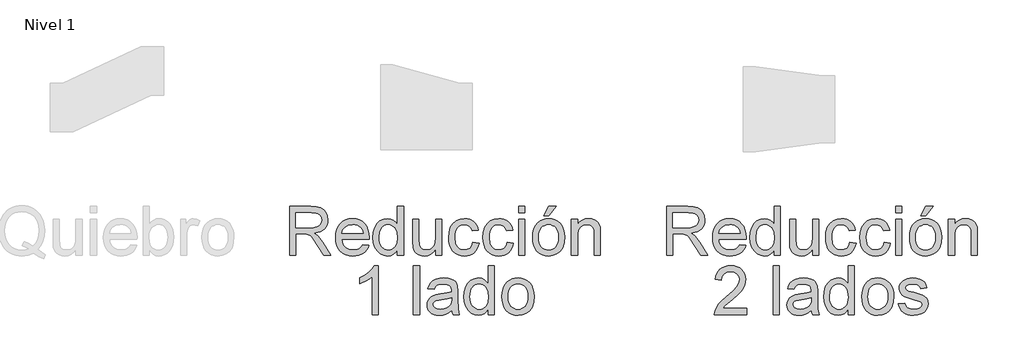
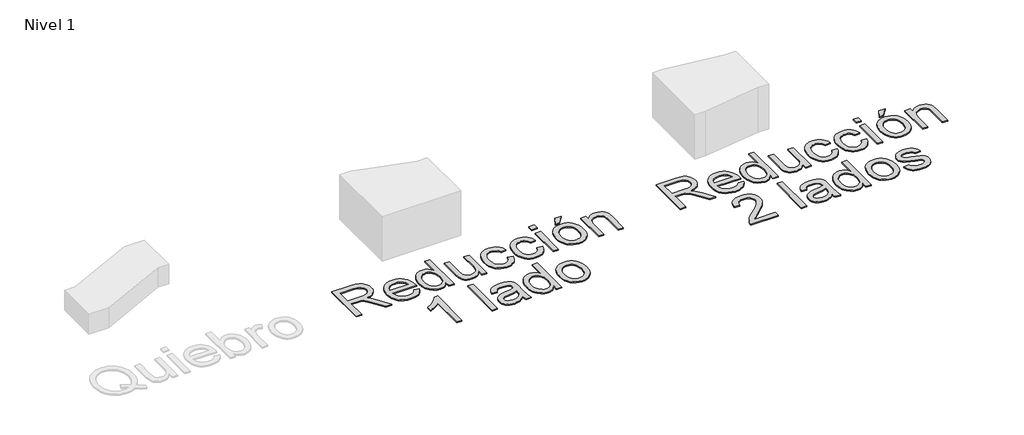
# One storey, part 5 of 6: 2 proxies.
"""IFC4 building model written with IfcOpenShell, lengths in millimetres."""

from ifc_helpers import new_model, si_unit, origin, origin_with_axes, place, context, project, spatial, polyline, outline, extrude, element, save

model = new_model("IFC4")

# Units and contexts
model_context = context("Model", 3, world=origin())
ifc_project = project(units=[si_unit("LENGTHUNIT", "METRE", prefix="MILLI")], contexts=[model_context])

# Site, building, storey
site = spatial("IfcSite", under=ifc_project)
building = spatial("IfcBuilding", under=site)
storey = spatial("IfcBuildingStorey", under=building, Name="Nivel 1", Elevation=0.0)

# Proxies
placement = place(None, origin())
element("IfcBuildingElementProxy", 1, Name="Texto de modelo 1", ObjectType="Texto de modelo 1", at=placement, inside=storey, context=model_context, shape_type="SweptSolid", body=[
    extrude(outline(polyline([(4773.8364183, -1016.3248037), (4773.8364183, -614.4995631), (4946.9862107, -614.4995631), (4993.5232831, -617.2096271), (5027.3806894, -625.3398192), (5052.126885, -640.3494046), (5071.3303251, -663.6976486), (5083.654372, -692.6499616), (5087.7623876, -724.4717542), (5086.0609333, -745.1099341), (5080.9565707, -764.0558569), (5072.4492995, -781.3095224), (5060.5391199, -796.8709308), (5045.0727477, -810.2434414), (5025.8968987, -820.9304133), (5003.0115729, -828.9318467), (4976.4167704, -834.2477415), (5004.9644132, -855.7320501), (5045.6766873, -907.4317331), (5112.6802614, -1016.3248037), (5054.3096515, -1016.3248037), (5002.0213572, -933.03632), (4964.2521391, -877.9030716), (4950.2113096, -861.8266285), (4937.7155845, -851.8570264), (4913.8277802, -842.2920945), (4884.6915262, -840.5262609), (4824.0645734, -840.5262609), (4824.0645734, -1016.3248037), (4773.8364183, -1016.3248037)]), holes=[polyline([(4824.0645734, -790.2981059), (4936.4893111, -790.2981059), (4968.7770876, -788.5200095), (4993.8298515, -783.1857206), (5012.6899351, -773.9396198), (5026.3996708, -760.4260878), (5034.7505921, -744.0798645), (5037.5342325, -726.3356896), (5032.224469, -701.8347488), (5016.2951786, -682.0917483), (5004.133613, -674.4949851), (4988.88797, -669.0687257), (4949.1444518, -664.7277182), (4824.0645734, -664.7277182), (4824.0645734, -790.2981059)])]), origin_with_axes(), (0.0, 0.0, 1.0), 10.0),
    extrude(outline(polyline([(5375.9856681, -928.4255323), (5425.2328045, -934.7040517), (5417.6820265, -954.428658), (5407.4886296, -971.8110823), (5394.6526136, -986.8513245), (5379.1739787, -999.5493847), (5361.2121403, -1009.6354827), (5340.9265139, -1016.8398385), (5293.3838974, -1022.6033231), (5262.218161, -1020.1170539), (5234.4492018, -1012.6582465), (5210.0770196, -1000.2269007), (5189.1016145, -982.8230167), (5172.234225, -960.9309723), (5160.1860897, -935.0351455), (5152.9572085, -905.1355363), (5150.5475814, -871.2321448), (5152.9817339, -836.179122), (5160.2841915, -805.2831658), (5172.4549542, -778.5442761), (5189.494022, -755.962453), (5210.4142448, -738.0220743), (5234.2284726, -725.2075182), (5260.9367054, -717.5187845), (5290.5389433, -714.9558732), (5319.1877537, -717.5126531), (5345.0958432, -725.1829927), (5368.2632118, -737.966892), (5388.6898596, -755.8643511), (5405.3641111, -778.3971233), (5417.2742906, -805.0869621), (5424.4203984, -835.9338674), (5426.8024343, -870.9378392), (5426.5081287, -884.4758966), (5200.7757365, -884.4758966), (5203.6850699, -904.519334), (5209.4700143, -922.0734365), (5218.1305696, -937.1382042), (5229.6667358, -949.7136371), (5243.4408509, -959.6280569), (5258.8152526, -966.7097853), (5294.3649161, -972.375168), (5321.0976744, -969.7509431), (5343.6120525, -961.8782684), (5361.9080504, -948.2666346), (5375.9856681, -928.4255323)]), holes=[polyline([(5200.7757365, -834.2477415), (5376.5742792, -834.2477415), (5369.7807251, -807.711187), (5356.4633968, -788.728476), (5342.7659239, -778.4277801), (5327.17999, -771.0701402), (5309.7055953, -766.6555563), (5290.3427396, -765.1840283), (5256.4853333, -769.8806551), (5228.4895135, -783.9705355), (5209.0285559, -805.9330907), (5200.7757365, -834.2477415)])]), origin_with_axes(), (0.0, 0.0, 1.0), 10.0),
    extrude(outline(polyline([(5659.1076515, -1016.3248037), (5659.1076515, -968.9416027), (5644.079672, -992.4186054), (5625.8756446, -1009.187893), (5604.4955694, -1019.2494656), (5579.9394462, -1022.6033231), (5547.4677287, -1017.7472807), (5517.7428635, -1003.1791537), (5492.5797351, -979.9167489), (5473.7932278, -948.9778731), (5462.0945804, -911.6133251), (5458.1950312, -869.0739038), (5461.7880121, -827.0617799), (5472.5669545, -789.1208835), (5490.5195959, -757.4094555), (5515.6336734, -734.085737), (5546.0084635, -719.7383392), (5579.7432424, -714.9558732), (5604.3177597, -718.3771758), (5626.0473229, -728.6410835), (5644.4659481, -744.3741701), (5659.1076515, -764.2030097), (5659.1076515, -614.4995631), (5709.3358066, -614.4995631), (5709.3358066, -1016.3248037), (5659.1076515, -1016.3248037)]), holes=[polyline([(5508.4231863, -868.8777), (5509.839532, -893.2345538), (5514.088569, -914.3111264), (5521.1702974, -932.1074179), (5531.0847172, -946.6234283), (5555.7818618, -965.9372331), (5569.6571444, -970.7656843), (5584.5502339, -972.375168), (5599.513834, -970.8392607), (5613.3063431, -966.2315387), (5637.3780884, -947.8006507), (5646.8847723, -933.8916456), (5653.6752607, -916.7391476), (5659.1076515, -872.7036728), (5653.5771589, -824.5601823), (5646.6640431, -806.0250612), (5636.9856809, -791.1810226), (5625.2839678, -779.8073376), (5612.300799, -771.6832769), (5598.0361747, -766.8088405), (5582.4900947, -765.1840283), (5567.3026996, -766.7444611), (5553.4274171, -771.4257595), (5540.8642469, -779.2279235), (5529.6131892, -790.1509531), (5520.342563, -804.4339715), (5513.720687, -822.3161022), (5508.4231863, -868.8777)])]), origin_with_axes(), (0.0, 0.0, 1.0), 10.0),
    extrude(outline(polyline([(5973.0336208, -1016.3248037), (5973.0336208, -965.6061393), (5954.8602502, -990.5424072), (5933.6947727, -1008.3540271), (5909.5371884, -1019.0409991), (5882.3874971, -1022.6033231), (5857.9233445, -1020.1017255), (5835.151449, -1012.5969328), (5816.0461107, -1001.3152183), (5802.5816297, -987.4828553), (5793.5194698, -970.6829108), (5787.6210952, -950.498452), (5784.6780392, -903.8019641), (5784.6780392, -721.2343926), (5834.9061943, -721.2343926), (5834.9061943, -880.1594145), (5837.9473521, -931.3685883), (5845.2682038, -948.4505756), (5857.8129799, -961.43681), (5874.7478144, -969.6405785), (5895.2388415, -972.375168), (5916.907091, -969.5792648), (5937.177389, -961.1915554), (5953.8914943, -947.9845917), (5964.8911659, -930.7309262), (5970.9980071, -907.1006393), (5973.0336208, -874.763812), (5973.0336208, -721.2343926), (6023.2617758, -721.2343926), (6023.2617758, -1016.3248037), (5973.0336208, -1016.3248037)])), origin_with_axes(), (0.0, 0.0, 1.0), 10.0),
    extrude(outline(polyline([(6280.6810706, -909.5899742), (6330.9092257, -915.8684935), (6325.446178, -939.5692911), (6316.9051844, -960.5416305), (6305.2862447, -978.7855118), (6290.589359, -994.3009349), (6273.4337953, -1006.6832297), (6254.4388216, -1015.527726), (6233.6044379, -1020.8344238), (6210.9306443, -1022.6033231), (6182.7600805, -1020.135448), (6157.5019159, -1012.7318229), (6135.1561503, -1000.3924476), (6115.722784, -983.1173223), (6099.992763, -961.2314092), (6088.7570337, -935.059671), (6082.0155961, -904.6021074), (6079.7684503, -869.8587187), (6083.6066858, -825.1610563), (6095.1213922, -786.4230822), (6114.4965106, -755.1408499), (6141.915982, -732.8104127), (6174.7187932, -719.4195081), (6210.2439312, -714.9558732), (6232.5283831, -716.4887149), (6252.6852508, -721.0872398), (6270.7145342, -728.7514481), (6286.6162334, -739.4813396), (6300.1205684, -753.0316597), (6310.9577588, -769.1571539), (6319.1278048, -787.857822), (6324.6307063, -809.133664), (6274.4025512, -815.4121834), (6265.2913405, -793.4986792), (6251.1033582, -777.790118), (6232.6234193, -768.3355507), (6210.6363387, -765.1840283), (6193.5696798, -766.7352641), (6178.176884, -771.3889713), (6164.4579513, -779.14515), (6152.4128816, -790.0038003), (6142.6057608, -804.216308), (6135.6006744, -822.0340593), (6131.3976226, -843.4570542), (6129.9966054, -868.4852926), (6135.4780471, -915.5619252), (6142.3298493, -933.4992382), (6151.9223723, -947.7025489), (6163.7283186, -958.4968197), (6177.2203908, -966.2070132), (6192.3985888, -970.8331293), (6209.2629126, -972.375168), (6235.2721697, -968.5246698), (6256.5970626, -956.9731751), (6272.1094201, -937.4263785), (6280.6810706, -909.5899742)])), origin_with_axes(), (0.0, 0.0, 1.0), 10.0),
    extrude(outline(polyline([(6563.2144429, -909.5899742), (6613.442598, -915.8684935), (6607.9795503, -939.5692911), (6599.4385567, -960.5416305), (6587.819617, -978.7855118), (6573.1227313, -994.3009349), (6555.9671676, -1006.6832297), (6536.9721939, -1015.527726), (6516.1378102, -1020.8344238), (6493.4640166, -1022.6033231), (6465.2934528, -1020.135448), (6440.0352882, -1012.7318229), (6417.6895226, -1000.3924476), (6398.2561562, -983.1173223), (6382.5261353, -961.2314092), (6371.290406, -935.059671), (6364.5489684, -904.6021074), (6362.3018226, -869.8587187), (6366.1400581, -825.1610563), (6377.6547645, -786.4230822), (6397.0298829, -755.1408499), (6424.4493543, -732.8104127), (6457.2521655, -719.4195081), (6492.7773035, -714.9558732), (6515.0617554, -716.4887149), (6535.2186231, -721.0872398), (6553.2479065, -728.7514481), (6569.1496057, -739.4813396), (6582.6539406, -753.0316597), (6593.4911311, -769.1571539), (6601.6611771, -787.857822), (6607.1640786, -809.133664), (6556.9359235, -815.4121834), (6547.8247128, -793.4986792), (6533.6367305, -777.790118), (6515.1567916, -768.3355507), (6493.169711, -765.1840283), (6476.1030521, -766.7352641), (6460.7102563, -771.3889713), (6446.9913236, -779.14515), (6434.9462539, -790.0038003), (6425.139133, -804.216308), (6418.1340467, -822.0340593), (6413.9309949, -843.4570542), (6412.5299777, -868.4852926), (6418.0114194, -915.5619252), (6424.8632216, -933.4992382), (6434.4557446, -947.7025489), (6446.2616909, -958.4968197), (6459.7537631, -966.2070132), (6474.9319611, -970.8331293), (6491.7962849, -972.375168), (6517.8055419, -968.5246698), (6539.1304349, -956.9731751), (6554.6427924, -937.4263785), (6563.2144429, -909.5899742)])), origin_with_axes(), (0.0, 0.0, 1.0), 10.0),
    extrude(outline(polyline([(6657.3922337, -664.7277182), (6657.3922337, -614.4995631), (6707.6203887, -614.4995631), (6707.6203887, -664.7277182), (6657.3922337, -664.7277182)])), origin_with_axes(), (0.0, 0.0, 1.0), 10.0),
    extrude(outline(polyline([(6657.3922337, -1016.3248037), (6657.3922337, -721.2343926), (6707.6203887, -721.2343926), (6707.6203887, -1016.3248037), (6657.3922337, -1016.3248037)])), origin_with_axes(), (0.0, 0.0, 1.0), 10.0),
    extrude(outline(polyline([(6770.4055826, -868.7795982), (6773.121778, -830.5627902), (6781.2703642, -797.6312203), (6794.8513411, -769.9848884), (6813.8647089, -747.6237944), (6833.0068354, -733.3315789), (6854.1355247, -723.1228535), (6877.2507767, -716.9976183), (6902.3525915, -714.9558732), (6930.0633028, -717.4421424), (6955.1191323, -724.9009498), (6977.5200802, -737.3322956), (6997.2661463, -754.7361797), (7013.3824433, -776.5239908), (7024.8940841, -802.1071179), (7031.8010686, -831.4855609), (7034.1033967, -864.6593198), (7030.0321693, -915.4025097), (7017.8184871, -954.0301192), (6997.8179693, -982.9579067), (6970.3862351, -1004.6016308), (6937.8041531, -1018.1029), (6902.3525915, -1022.6033231), (6874.23721, -1020.126251), (6848.9483885, -1012.6950347), (6826.4861271, -1000.3096742), (6806.8504256, -982.9701695), (6790.9058068, -960.9708262), (6779.5167933, -934.6059498), (6772.6833853, -903.8755405), (6770.4055826, -868.7795982)]), holes=[polyline([(6820.6337376, -868.6814963), (6822.0868715, -893.0444814), (6826.4462732, -914.1394482), (6833.7119426, -931.9663965), (6843.8838797, -946.5253265), (6856.2569775, -957.8346321), (6870.1261287, -965.9127076), (6885.4913334, -970.7595529), (6902.3525915, -972.375168), (6919.1280105, -970.7503559), (6934.4319015, -965.8759194), (6948.2642645, -957.7518587), (6960.6250995, -946.3781737), (6970.7970367, -931.6751566), (6978.0627061, -913.5630997), (6982.4221078, -892.042003), (6983.8752416, -867.1118665), (6982.4129107, -843.5214335), (6978.0259179, -822.9782898), (6970.7142633, -805.4824352), (6960.4779467, -791.0338698), (6948.0711265, -779.7245642), (6934.2479605, -771.6464887), (6919.0084488, -766.7996434), (6902.3525915, -765.1840283), (6885.4913334, -766.793512), (6870.1261287, -771.6219632), (6856.2569775, -779.6693819), (6843.8838797, -790.935768), (6833.7119426, -805.4517784), (6826.4462732, -823.2480699), (6822.0868715, -844.3246425), (6820.6337376, -868.6814963)])]), origin_with_axes(), (0.0, 0.0, 1.0), 10.0),
    extrude(outline(polyline([(6864.5833733, -689.8417957), (6902.2544896, -614.4995631), (6965.0396835, -614.4995631), (6902.2544896, -689.8417957), (6864.5833733, -689.8417957)])), origin_with_axes(), (0.0, 0.0, 1.0), 10.0),
    extrude(outline(polyline([(7090.6100712, -1016.3248037), (7090.6100712, -721.2343926), (7140.8382262, -721.2343926), (7140.8382262, -762.4371761), (7158.2880956, -741.6641061), (7179.2451065, -726.826199), (7203.7092592, -717.9234547), (7231.6805536, -714.9558732), (7256.4390119, -717.3471062), (7279.1128055, -724.5208051), (7298.0219401, -735.5817904), (7311.4864211, -749.6348827), (7320.6221573, -766.6432936), (7326.5450574, -786.570235), (7329.1938078, -835.1306583), (7329.1938078, -1016.3248037), (7278.9656527, -1016.3248037), (7278.9656527, -841.899687), (7277.5186502, -815.9272182), (7273.1776426, -797.459542), (7265.1700779, -784.2280529), (7252.7234037, -773.9641453), (7236.7695879, -767.3790576), (7218.240598, -765.1840283), (7188.8223012, -770.1136471), (7163.7450118, -784.9025033), (7153.7232931, -796.9751641), (7146.5649226, -813.4746716), (7142.2699003, -834.4010257), (7140.8382262, -859.7542265), (7140.8382262, -1016.3248037), (7090.6100712, -1016.3248037)])), origin_with_axes(), (0.0, 0.0, 1.0), 10.0),
    extrude(outline(polyline([(5502.1446669, -1504.2240751), (5451.9165119, -1504.2240751), (5451.9165119, -1191.0829208), (5430.9472381, -1208.0422808), (5404.3371071, -1224.9771153), (5351.4602017, -1250.3364475), (5351.4602017, -1202.8551446), (5390.9094143, -1181.3953616), (5425.0856517, -1155.8643511), (5452.0268765, -1128.7146599), (5469.7710514, -1102.3988345), (5502.1446669, -1102.3988345), (5502.1446669, -1504.2240751)])), origin_with_axes(), (0.0, 0.0, 1.0), 10.0),
    extrude(outline(polyline([(5790.9565586, -1504.2240751), (5790.9565586, -1102.3988345), (5841.1847137, -1102.3988345), (5841.1847137, -1504.2240751), (5790.9565586, -1504.2240751)])), origin_with_axes(), (0.0, 0.0, 1.0), 10.0),
    extrude(outline(polyline([(6104.8825278, -1466.5529588), (6080.884359, -1487.129825), (6056.1749517, -1500.5943061), (6030.1902201, -1508.0255224), (6002.3660785, -1510.5025945), (5980.0019189, -1509.0126724), (5960.3907429, -1504.5429061), (5943.5325504, -1497.0932957), (5929.4273416, -1486.6638412), (5918.2897142, -1473.91673), (5910.334266, -1459.5141499), (5905.5609972, -1443.4561008), (5903.9699075, -1425.7425828), (5906.3734032, -1404.9204618), (5913.5838903, -1386.0113273), (5924.7061893, -1369.8245195), (5938.8451207, -1357.1693789), (5955.4611241, -1347.604447), (5974.0146394, -1340.6882655), (6017.4737658, -1333.1344219), (6068.8300923, -1325.1881708), (6104.5882222, -1315.8684935), (6104.8825278, -1304.6848809), (6101.4244371, -1282.2686047), (6091.0501648, -1267.6023758), (6067.8490736, -1256.7130687), (6035.524509, -1253.0832997), (6005.6034401, -1255.4990581), (5984.7077427, -1262.7463334), (5970.4584468, -1276.1495008), (5960.476582, -1297.0329354), (5910.2484269, -1290.754416), (5918.9672302, -1263.2858937), (5931.9779901, -1241.7034833), (5950.4947172, -1225.1978445), (5975.7314221, -1212.9596368), (6006.5967215, -1205.3812677), (6041.9992321, -1202.8551446), (6075.9547403, -1205.0869621), (6102.8714396, -1211.7824144), (6123.166263, -1221.8501183), (6137.2561434, -1234.1986906), (6146.6003461, -1249.4657934), (6152.6581363, -1268.2890888), (6155.1106829, -1312.2387245), (6155.1106829, -1374.7296128), (6157.6613314, -1461.991222), (6167.6677217, -1504.2240751), (6117.4395666, -1504.2240751), (6109.3952136, -1486.761943), (6104.8825278, -1466.5529588)]), holes=[polyline([(6104.8825278, -1366.0966486), (6071.1354861, -1374.4598326), (6023.850387, -1381.4986415), (5980.6365153, -1389.6410963), (5969.391589, -1395.2083772), (5961.0651932, -1402.8848481), (5955.9148452, -1412.081898), (5954.1980626, -1422.2109156), (5957.9381962, -1437.1469246), (5969.1585971, -1449.3851323), (5987.6140105, -1457.5521126), (6013.0591818, -1460.2744394), (6040.0371948, -1457.2700698), (6063.8759481, -1448.2569609), (6083.2020156, -1434.9764209), (6096.6419711, -1419.1697578), (6102.6016595, -1402.8848481), (6104.5882222, -1380.3214191), (6104.8825278, -1366.0966486)])]), origin_with_axes(), (0.0, 0.0, 1.0), 10.0),
    extrude(outline(polyline([(6406.2514583, -1504.2240751), (6406.2514583, -1456.8408741), (6391.2234788, -1480.3178768), (6373.0194514, -1497.0871644), (6351.6393761, -1507.1487369), (6327.0832529, -1510.5025945), (6294.6115355, -1505.6465521), (6264.8866703, -1491.0784251), (6239.7235418, -1467.8160203), (6220.9370346, -1436.8771445), (6209.2383871, -1399.5125965), (6205.338838, -1356.9731751), (6208.9318188, -1314.9610513), (6219.7107613, -1277.0201549), (6237.6634026, -1245.3087269), (6262.7774802, -1221.9850084), (6293.1522702, -1207.6376106), (6326.8870492, -1202.8551446), (6351.4615665, -1206.2764472), (6373.1911296, -1216.5403548), (6391.6097549, -1232.2734415), (6406.2514583, -1252.102281), (6406.2514583, -1102.3988345), (6456.4796134, -1102.3988345), (6456.4796134, -1504.2240751), (6406.2514583, -1504.2240751)]), holes=[polyline([(6255.5669931, -1356.7769714), (6256.9833387, -1381.1338252), (6261.2323758, -1402.2103978), (6268.3141042, -1420.0066893), (6278.228524, -1434.5226997), (6302.9256686, -1453.8365045), (6316.8009512, -1458.6649557), (6331.6940406, -1460.2744394), (6346.6576407, -1458.7385321), (6360.4501499, -1454.1308101), (6384.5218951, -1435.6999221), (6394.028579, -1421.790917), (6400.8190675, -1404.638419), (6406.2514583, -1360.6029442), (6400.7209656, -1312.4594537), (6393.8078498, -1293.9243325), (6384.1294876, -1279.080294), (6372.4277745, -1267.706609), (6359.4446058, -1259.5825483), (6345.1799814, -1254.7081118), (6329.6339014, -1253.0832997), (6314.4465064, -1254.6437325), (6300.5712238, -1259.3250309), (6288.0080537, -1267.1271949), (6276.756996, -1278.0502244), (6267.4863697, -1292.3332429), (6260.8644938, -1310.2153736), (6255.5669931, -1356.7769714)])]), origin_with_axes(), (0.0, 0.0, 1.0), 10.0),
    extrude(outline(polyline([(6519.2648072, -1356.6788695), (6521.9810026, -1318.4620616), (6530.1295888, -1285.5304917), (6543.7105658, -1257.8841597), (6562.7239336, -1235.5230658), (6581.86606, -1221.2308503), (6602.9947493, -1211.0221249), (6626.1100013, -1204.8968897), (6651.2118161, -1202.8551446), (6678.9225274, -1205.3414138), (6703.978357, -1212.8002212), (6726.3793048, -1225.231567), (6746.1253709, -1242.635451), (6762.241668, -1264.4232622), (6773.7533087, -1290.0063893), (6780.6602932, -1319.3848323), (6782.9626213, -1352.5585912), (6778.8913939, -1403.3017811), (6766.6777117, -1441.9293906), (6746.6771939, -1470.8571781), (6719.2454598, -1492.5009022), (6686.6633777, -1506.0021714), (6651.2118161, -1510.5025945), (6623.0964347, -1508.0255224), (6597.8076132, -1500.5943061), (6575.3453517, -1488.2089456), (6555.7096502, -1470.8694408), (6539.7650314, -1448.8700975), (6528.3760179, -1422.5052212), (6521.5426099, -1391.7748119), (6519.2648072, -1356.6788695)]), holes=[polyline([(6569.4929623, -1356.5807677), (6570.9460962, -1380.9437528), (6575.3054978, -1402.0387195), (6582.5711672, -1419.8656679), (6592.7431044, -1434.4245979), (6605.1162021, -1445.7339035), (6618.9853534, -1453.811979), (6634.350558, -1458.6588243), (6651.2118161, -1460.2744394), (6667.9872351, -1458.6496272), (6683.2911261, -1453.7751908), (6697.1234891, -1445.6511301), (6709.4843242, -1434.2774451), (6719.6562613, -1419.574428), (6726.9219307, -1401.4623711), (6731.2813324, -1379.9412744), (6732.7344663, -1355.0111378), (6731.2721353, -1331.4207049), (6726.8851425, -1310.8775611), (6719.5734879, -1293.3817066), (6709.3371714, -1278.9331412), (6696.9303511, -1267.6238356), (6683.1071851, -1259.5457601), (6667.8676735, -1254.6989148), (6651.2118161, -1253.0832997), (6634.350558, -1254.6927834), (6618.9853534, -1259.5212346), (6605.1162021, -1267.5686533), (6592.7431044, -1278.8350394), (6582.5711672, -1293.3510498), (6575.3054978, -1311.1473413), (6570.9460962, -1332.2239139), (6569.4929623, -1356.5807677)])]), origin_with_axes(), (0.0, 0.0, 1.0), 10.0),
])
element("IfcBuildingElementProxy", 2, Name="Texto de modelo 1", ObjectType="Texto de modelo 1", at=placement, inside=storey, context=model_context, shape_type="SweptSolid", body=[
    extrude(outline(polyline([(7873.8364183, -1016.3248037), (7873.8364183, -614.4995631), (8046.9862107, -614.4995631), (8093.5232831, -617.2096271), (8127.3806894, -625.3398192), (8152.126885, -640.3494046), (8171.3303251, -663.6976486), (8183.654372, -692.6499616), (8187.7623876, -724.4717542), (8186.0609333, -745.1099341), (8180.9565707, -764.0558569), (8172.4492995, -781.3095224), (8160.5391199, -796.8709308), (8145.0727477, -810.2434414), (8125.8968987, -820.9304133), (8103.0115729, -828.9318467), (8076.4167704, -834.2477415), (8104.9644132, -855.7320501), (8145.6766873, -907.4317331), (8212.6802614, -1016.3248037), (8154.3096515, -1016.3248037), (8102.0213572, -933.03632), (8064.2521391, -877.9030716), (8050.2113096, -861.8266285), (8037.7155845, -851.8570264), (8013.8277802, -842.2920945), (7984.6915262, -840.5262609), (7924.0645734, -840.5262609), (7924.0645734, -1016.3248037), (7873.8364183, -1016.3248037)]), holes=[polyline([(7924.0645734, -790.2981059), (8036.4893111, -790.2981059), (8068.7770876, -788.5200095), (8093.8298515, -783.1857206), (8112.6899351, -773.9396198), (8126.3996708, -760.4260878), (8134.7505921, -744.0798645), (8137.5342325, -726.3356896), (8132.224469, -701.8347488), (8116.2951786, -682.0917483), (8104.133613, -674.4949851), (8088.88797, -669.0687257), (8049.1444518, -664.7277182), (7924.0645734, -664.7277182), (7924.0645734, -790.2981059)])]), origin_with_axes(), (0.0, 0.0, 1.0), 10.0),
    extrude(outline(polyline([(8475.9856681, -928.4255323), (8525.2328045, -934.7040517), (8517.6820265, -954.428658), (8507.4886296, -971.8110823), (8494.6526136, -986.8513245), (8479.1739787, -999.5493847), (8461.2121403, -1009.6354827), (8440.9265139, -1016.8398385), (8393.3838974, -1022.6033231), (8362.218161, -1020.1170539), (8334.4492018, -1012.6582465), (8310.0770196, -1000.2269007), (8289.1016145, -982.8230167), (8272.234225, -960.9309723), (8260.1860897, -935.0351455), (8252.9572085, -905.1355363), (8250.5475814, -871.2321448), (8252.9817339, -836.179122), (8260.2841915, -805.2831658), (8272.4549542, -778.5442761), (8289.494022, -755.962453), (8310.4142448, -738.0220743), (8334.2284726, -725.2075182), (8360.9367054, -717.5187845), (8390.5389433, -714.9558732), (8419.1877537, -717.5126531), (8445.0958432, -725.1829927), (8468.2632118, -737.966892), (8488.6898596, -755.8643511), (8505.3641111, -778.3971233), (8517.2742906, -805.0869621), (8524.4203984, -835.9338674), (8526.8024343, -870.9378392), (8526.5081287, -884.4758966), (8300.7757365, -884.4758966), (8303.6850699, -904.519334), (8309.4700143, -922.0734365), (8318.1305696, -937.1382042), (8329.6667358, -949.7136371), (8343.4408509, -959.6280569), (8358.8152526, -966.7097853), (8394.3649161, -972.375168), (8421.0976744, -969.7509431), (8443.6120525, -961.8782684), (8461.9080504, -948.2666346), (8475.9856681, -928.4255323)]), holes=[polyline([(8300.7757365, -834.2477415), (8476.5742792, -834.2477415), (8469.7807251, -807.711187), (8456.4633968, -788.728476), (8442.7659239, -778.4277801), (8427.17999, -771.0701402), (8409.7055953, -766.6555563), (8390.3427396, -765.1840283), (8356.4853333, -769.8806551), (8328.4895135, -783.9705355), (8309.0285559, -805.9330907), (8300.7757365, -834.2477415)])]), origin_with_axes(), (0.0, 0.0, 1.0), 10.0),
    extrude(outline(polyline([(8759.1076515, -1016.3248037), (8759.1076515, -968.9416027), (8744.079672, -992.4186054), (8725.8756446, -1009.187893), (8704.4955694, -1019.2494656), (8679.9394462, -1022.6033231), (8647.4677287, -1017.7472807), (8617.7428635, -1003.1791537), (8592.5797351, -979.9167489), (8573.7932278, -948.9778731), (8562.0945804, -911.6133251), (8558.1950312, -869.0739038), (8561.7880121, -827.0617799), (8572.5669545, -789.1208835), (8590.5195959, -757.4094555), (8615.6336734, -734.085737), (8646.0084635, -719.7383392), (8679.7432424, -714.9558732), (8704.3177597, -718.3771758), (8726.0473229, -728.6410835), (8744.4659481, -744.3741701), (8759.1076515, -764.2030097), (8759.1076515, -614.4995631), (8809.3358066, -614.4995631), (8809.3358066, -1016.3248037), (8759.1076515, -1016.3248037)]), holes=[polyline([(8608.4231863, -868.8777), (8609.839532, -893.2345538), (8614.088569, -914.3111264), (8621.1702974, -932.1074179), (8631.0847172, -946.6234283), (8655.7818618, -965.9372331), (8669.6571444, -970.7656843), (8684.5502339, -972.375168), (8699.513834, -970.8392607), (8713.3063431, -966.2315387), (8737.3780884, -947.8006507), (8746.8847723, -933.8916456), (8753.6752607, -916.7391476), (8759.1076515, -872.7036728), (8753.5771589, -824.5601823), (8746.6640431, -806.0250612), (8736.9856809, -791.1810226), (8725.2839678, -779.8073376), (8712.300799, -771.6832769), (8698.0361747, -766.8088405), (8682.4900947, -765.1840283), (8667.3026996, -766.7444611), (8653.4274171, -771.4257595), (8640.8642469, -779.2279235), (8629.6131892, -790.1509531), (8620.342563, -804.4339715), (8613.720687, -822.3161022), (8608.4231863, -868.8777)])]), origin_with_axes(), (0.0, 0.0, 1.0), 10.0),
    extrude(outline(polyline([(9073.0336208, -1016.3248037), (9073.0336208, -965.6061393), (9054.8602502, -990.5424072), (9033.6947727, -1008.3540271), (9009.5371884, -1019.0409991), (8982.3874971, -1022.6033231), (8957.9233445, -1020.1017255), (8935.151449, -1012.5969328), (8916.0461107, -1001.3152183), (8902.5816297, -987.4828553), (8893.5194698, -970.6829108), (8887.6210952, -950.498452), (8884.6780392, -903.8019641), (8884.6780392, -721.2343926), (8934.9061943, -721.2343926), (8934.9061943, -880.1594145), (8937.9473521, -931.3685883), (8945.2682038, -948.4505756), (8957.8129799, -961.43681), (8974.7478144, -969.6405785), (8995.2388415, -972.375168), (9016.907091, -969.5792648), (9037.177389, -961.1915554), (9053.8914943, -947.9845917), (9064.8911659, -930.7309262), (9070.9980071, -907.1006393), (9073.0336208, -874.763812), (9073.0336208, -721.2343926), (9123.2617758, -721.2343926), (9123.2617758, -1016.3248037), (9073.0336208, -1016.3248037)])), origin_with_axes(), (0.0, 0.0, 1.0), 10.0),
    extrude(outline(polyline([(9380.6810706, -909.5899742), (9430.9092257, -915.8684935), (9425.446178, -939.5692911), (9416.9051844, -960.5416305), (9405.2862447, -978.7855118), (9390.589359, -994.3009349), (9373.4337953, -1006.6832297), (9354.4388216, -1015.527726), (9333.6044379, -1020.8344238), (9310.9306443, -1022.6033231), (9282.7600805, -1020.135448), (9257.5019159, -1012.7318229), (9235.1561503, -1000.3924476), (9215.722784, -983.1173223), (9199.992763, -961.2314092), (9188.7570337, -935.059671), (9182.0155961, -904.6021074), (9179.7684503, -869.8587187), (9183.6066858, -825.1610563), (9195.1213922, -786.4230822), (9214.4965106, -755.1408499), (9241.915982, -732.8104127), (9274.7187932, -719.4195081), (9310.2439312, -714.9558732), (9332.5283831, -716.4887149), (9352.6852508, -721.0872398), (9370.7145342, -728.7514481), (9386.6162334, -739.4813396), (9400.1205684, -753.0316597), (9410.9577588, -769.1571539), (9419.1278048, -787.857822), (9424.6307063, -809.133664), (9374.4025512, -815.4121834), (9365.2913405, -793.4986792), (9351.1033582, -777.790118), (9332.6234193, -768.3355507), (9310.6363387, -765.1840283), (9293.5696798, -766.7352641), (9278.176884, -771.3889713), (9264.4579513, -779.14515), (9252.4128816, -790.0038003), (9242.6057608, -804.216308), (9235.6006744, -822.0340593), (9231.3976226, -843.4570542), (9229.9966054, -868.4852926), (9235.4780471, -915.5619252), (9242.3298493, -933.4992382), (9251.9223723, -947.7025489), (9263.7283186, -958.4968197), (9277.2203908, -966.2070132), (9292.3985888, -970.8331293), (9309.2629126, -972.375168), (9335.2721697, -968.5246698), (9356.5970626, -956.9731751), (9372.1094201, -937.4263785), (9380.6810706, -909.5899742)])), origin_with_axes(), (0.0, 0.0, 1.0), 10.0),
    extrude(outline(polyline([(9663.2144429, -909.5899742), (9713.442598, -915.8684935), (9707.9795503, -939.5692911), (9699.4385567, -960.5416305), (9687.819617, -978.7855118), (9673.1227313, -994.3009349), (9655.9671676, -1006.6832297), (9636.9721939, -1015.527726), (9616.1378102, -1020.8344238), (9593.4640166, -1022.6033231), (9565.2934528, -1020.135448), (9540.0352882, -1012.7318229), (9517.6895226, -1000.3924476), (9498.2561562, -983.1173223), (9482.5261353, -961.2314092), (9471.290406, -935.059671), (9464.5489684, -904.6021074), (9462.3018226, -869.8587187), (9466.1400581, -825.1610563), (9477.6547645, -786.4230822), (9497.0298829, -755.1408499), (9524.4493543, -732.8104127), (9557.2521655, -719.4195081), (9592.7773035, -714.9558732), (9615.0617554, -716.4887149), (9635.2186231, -721.0872398), (9653.2479065, -728.7514481), (9669.1496057, -739.4813396), (9682.6539406, -753.0316597), (9693.4911311, -769.1571539), (9701.6611771, -787.857822), (9707.1640786, -809.133664), (9656.9359235, -815.4121834), (9647.8247128, -793.4986792), (9633.6367305, -777.790118), (9615.1567916, -768.3355507), (9593.169711, -765.1840283), (9576.1030521, -766.7352641), (9560.7102563, -771.3889713), (9546.9913236, -779.14515), (9534.9462539, -790.0038003), (9525.139133, -804.216308), (9518.1340467, -822.0340593), (9513.9309949, -843.4570542), (9512.5299777, -868.4852926), (9518.0114194, -915.5619252), (9524.8632216, -933.4992382), (9534.4557446, -947.7025489), (9546.2616909, -958.4968197), (9559.7537631, -966.2070132), (9574.9319611, -970.8331293), (9591.7962849, -972.375168), (9617.8055419, -968.5246698), (9639.1304349, -956.9731751), (9654.6427924, -937.4263785), (9663.2144429, -909.5899742)])), origin_with_axes(), (0.0, 0.0, 1.0), 10.0),
    extrude(outline(polyline([(9757.3922337, -664.7277182), (9757.3922337, -614.4995631), (9807.6203887, -614.4995631), (9807.6203887, -664.7277182), (9757.3922337, -664.7277182)])), origin_with_axes(), (0.0, 0.0, 1.0), 10.0),
    extrude(outline(polyline([(9757.3922337, -1016.3248037), (9757.3922337, -721.2343926), (9807.6203887, -721.2343926), (9807.6203887, -1016.3248037), (9757.3922337, -1016.3248037)])), origin_with_axes(), (0.0, 0.0, 1.0), 10.0),
    extrude(outline(polyline([(9870.4055826, -868.7795982), (9873.121778, -830.5627902), (9881.2703642, -797.6312203), (9894.8513411, -769.9848884), (9913.8647089, -747.6237944), (9933.0068354, -733.3315789), (9954.1355247, -723.1228535), (9977.2507767, -716.9976183), (10002.3525915, -714.9558732), (10030.0633028, -717.4421424), (10055.1191323, -724.9009498), (10077.5200802, -737.3322956), (10097.2661463, -754.7361797), (10113.3824433, -776.5239908), (10124.8940841, -802.1071179), (10131.8010686, -831.4855609), (10134.1033967, -864.6593198), (10130.0321693, -915.4025097), (10117.8184871, -954.0301192), (10097.8179693, -982.9579067), (10070.3862351, -1004.6016308), (10037.8041531, -1018.1029), (10002.3525915, -1022.6033231), (9974.23721, -1020.126251), (9948.9483885, -1012.6950347), (9926.4861271, -1000.3096742), (9906.8504256, -982.9701695), (9890.9058068, -960.9708262), (9879.5167933, -934.6059498), (9872.6833853, -903.8755405), (9870.4055826, -868.7795982)]), holes=[polyline([(9920.6337376, -868.6814963), (9922.0868715, -893.0444814), (9926.4462732, -914.1394482), (9933.7119426, -931.9663965), (9943.8838797, -946.5253265), (9956.2569775, -957.8346321), (9970.1261287, -965.9127076), (9985.4913334, -970.7595529), (10002.3525915, -972.375168), (10019.1280105, -970.7503559), (10034.4319015, -965.8759194), (10048.2642645, -957.7518587), (10060.6250995, -946.3781737), (10070.7970367, -931.6751566), (10078.0627061, -913.5630997), (10082.4221078, -892.042003), (10083.8752416, -867.1118665), (10082.4129107, -843.5214335), (10078.0259179, -822.9782898), (10070.7142633, -805.4824352), (10060.4779467, -791.0338698), (10048.0711265, -779.7245642), (10034.2479605, -771.6464887), (10019.0084488, -766.7996434), (10002.3525915, -765.1840283), (9985.4913334, -766.793512), (9970.1261287, -771.6219632), (9956.2569775, -779.6693819), (9943.8838797, -790.935768), (9933.7119426, -805.4517784), (9926.4462732, -823.2480699), (9922.0868715, -844.3246425), (9920.6337376, -868.6814963)])]), origin_with_axes(), (0.0, 0.0, 1.0), 10.0),
    extrude(outline(polyline([(9964.5833733, -689.8417957), (10002.2544896, -614.4995631), (10065.0396835, -614.4995631), (10002.2544896, -689.8417957), (9964.5833733, -689.8417957)])), origin_with_axes(), (0.0, 0.0, 1.0), 10.0),
    extrude(outline(polyline([(10190.6100712, -1016.3248037), (10190.6100712, -721.2343926), (10240.8382262, -721.2343926), (10240.8382262, -762.4371761), (10258.2880956, -741.6641061), (10279.2451065, -726.826199), (10303.7092592, -717.9234547), (10331.6805536, -714.9558732), (10356.4390119, -717.3471062), (10379.1128055, -724.5208051), (10398.0219401, -735.5817904), (10411.4864211, -749.6348827), (10420.6221573, -766.6432936), (10426.5450574, -786.570235), (10429.1938078, -835.1306583), (10429.1938078, -1016.3248037), (10378.9656527, -1016.3248037), (10378.9656527, -841.899687), (10377.5186502, -815.9272182), (10373.1776426, -797.459542), (10365.1700779, -784.2280529), (10352.7234037, -773.9641453), (10336.7695879, -767.3790576), (10318.240598, -765.1840283), (10288.8223012, -770.1136471), (10263.7450118, -784.9025033), (10253.7232931, -796.9751641), (10246.5649226, -813.4746716), (10242.2699003, -834.4010257), (10240.8382262, -859.7542265), (10240.8382262, -1016.3248037), (10190.6100712, -1016.3248037)])), origin_with_axes(), (0.0, 0.0, 1.0), 10.0),
    extrude(outline(polyline([(8529.941694, -1453.99592), (8529.941694, -1504.2240751), (8266.2438799, -1504.2240751), (8267.3475259, -1486.5412138), (8271.6394825, -1469.5941166), (8284.024843, -1442.5302645), (8302.1491626, -1416.2757528), (8328.3668861, -1388.7949677), (8365.0324583, -1358.0522957), (8419.2337389, -1309.9088052), (8451.7545073, -1274.3714045), (8468.0148915, -1245.5294561), (8473.4350196, -1217.4723226), (8468.3214598, -1192.3214568), (8452.9807806, -1171.4134968), (8429.3995447, -1157.3236164), (8399.5643149, -1152.6269896), (8368.2330317, -1157.2132518), (8343.8915063, -1170.9720384), (8328.1829451, -1192.8242289), (8322.7505543, -1221.6907028), (8272.5223993, -1215.4121834), (8276.841947, -1189.4826341), (8284.6992933, -1166.8272346), (8296.0944381, -1147.4459848), (8311.0273814, -1131.3388848), (8329.1547667, -1118.6776128), (8350.1332375, -1109.633847), (8373.9627937, -1104.2075876), (8400.6434354, -1102.3988345), (8427.5632004, -1104.4099227), (8451.5215154, -1110.4431874), (8472.5183802, -1120.4986286), (8490.5537951, -1134.5762463), (8505.0391486, -1151.6337082), (8515.3858297, -1170.6286818), (8521.5938384, -1191.5611674), (8523.6631746, -1214.4311647), (8521.4313572, -1238.453859), (8514.7359049, -1262.0596204), (8502.8533164, -1286.0700519), (8485.0600906, -1311.3067568), (8456.6963888, -1341.4362922), (8413.1023723, -1380.1252154), (8355.3203736, -1428.4403841), (8332.6588427, -1453.99592), (8529.941694, -1453.99592)])), origin_with_axes(), (0.0, 0.0, 1.0), 10.0),
    extrude(outline(polyline([(8749.6898725, -1504.2240751), (8749.6898725, -1102.3988345), (8799.9180275, -1102.3988345), (8799.9180275, -1504.2240751), (8749.6898725, -1504.2240751)])), origin_with_axes(), (0.0, 0.0, 1.0), 10.0),
    extrude(outline(polyline([(9063.6158417, -1466.5529588), (9039.6176729, -1487.129825), (9014.9082655, -1500.5943061), (8988.9235339, -1508.0255224), (8961.0993924, -1510.5025945), (8938.7352327, -1509.0126724), (8919.1240567, -1504.5429061), (8902.2658643, -1497.0932957), (8888.1606554, -1486.6638412), (8877.023028, -1473.91673), (8869.0675799, -1459.5141499), (8864.294311, -1443.4561008), (8862.7032214, -1425.7425828), (8865.1067171, -1404.9204618), (8872.3172042, -1386.0113273), (8883.4395032, -1369.8245195), (8897.5784345, -1357.1693789), (8914.194438, -1347.604447), (8932.7479533, -1340.6882655), (8976.2070796, -1333.1344219), (9027.5634062, -1325.1881708), (9063.3215361, -1315.8684935), (9063.6158417, -1304.6848809), (9060.1577509, -1282.2686047), (9049.7834787, -1267.6023758), (9026.5823875, -1256.7130687), (8994.2578229, -1253.0832997), (8964.3367539, -1255.4990581), (8943.4410566, -1262.7463334), (8929.1917606, -1276.1495008), (8919.2098958, -1297.0329354), (8868.9817408, -1290.754416), (8877.7005441, -1263.2858937), (8890.7113039, -1241.7034833), (8909.228031, -1225.1978445), (8934.4647359, -1212.9596368), (8965.3300353, -1205.3812677), (9000.732546, -1202.8551446), (9034.6880541, -1205.0869621), (9061.6047534, -1211.7824144), (9081.8995768, -1221.8501183), (9095.9894573, -1234.1986906), (9105.3336599, -1249.4657934), (9111.3914501, -1268.2890888), (9113.8439968, -1312.2387245), (9113.8439968, -1374.7296128), (9116.3946453, -1461.991222), (9126.4010355, -1504.2240751), (9076.1728805, -1504.2240751), (9068.1285275, -1486.761943), (9063.6158417, -1466.5529588)]), holes=[polyline([(9063.6158417, -1366.0966486), (9029.8688, -1374.4598326), (8982.5837009, -1381.4986415), (8939.3698292, -1389.6410963), (8928.1249029, -1395.2083772), (8919.798507, -1402.8848481), (8914.6481591, -1412.081898), (8912.9313765, -1422.2109156), (8916.6715101, -1437.1469246), (8927.8919109, -1449.3851323), (8946.3473244, -1457.5521126), (8971.7924957, -1460.2744394), (8998.7705087, -1457.2700698), (9022.609262, -1448.2569609), (9041.9353294, -1434.9764209), (9055.375285, -1419.1697578), (9061.3349733, -1402.8848481), (9063.3215361, -1380.3214191), (9063.6158417, -1366.0966486)])]), origin_with_axes(), (0.0, 0.0, 1.0), 10.0),
    extrude(outline(polyline([(9364.9847721, -1504.2240751), (9364.9847721, -1456.8408741), (9349.9567926, -1480.3178768), (9331.7527652, -1497.0871644), (9310.3726899, -1507.1487369), (9285.8165668, -1510.5025945), (9253.3448493, -1505.6465521), (9223.6199841, -1491.0784251), (9198.4568556, -1467.8160203), (9179.6703484, -1436.8771445), (9167.971701, -1399.5125965), (9164.0721518, -1356.9731751), (9167.6651327, -1314.9610513), (9178.4440751, -1277.0201549), (9196.3967165, -1245.3087269), (9221.510794, -1221.9850084), (9251.8855841, -1207.6376106), (9285.620363, -1202.8551446), (9310.1948803, -1206.2764472), (9331.9244435, -1216.5403548), (9350.3430687, -1232.2734415), (9364.9847721, -1252.102281), (9364.9847721, -1102.3988345), (9415.2129272, -1102.3988345), (9415.2129272, -1504.2240751), (9364.9847721, -1504.2240751)]), holes=[polyline([(9214.3003069, -1356.7769714), (9215.7166526, -1381.1338252), (9219.9656896, -1402.2103978), (9227.047418, -1420.0066893), (9236.9618378, -1434.5226997), (9261.6589824, -1453.8365045), (9275.534265, -1458.6649557), (9290.4273544, -1460.2744394), (9305.3909546, -1458.7385321), (9319.1834637, -1454.1308101), (9343.2552089, -1435.6999221), (9352.7618928, -1421.790917), (9359.5523813, -1404.638419), (9364.9847721, -1360.6029442), (9359.4542795, -1312.4594537), (9352.5411636, -1293.9243325), (9342.8628015, -1279.080294), (9331.1610884, -1267.706609), (9318.1779196, -1259.5825483), (9303.9132952, -1254.7081118), (9288.3672153, -1253.0832997), (9273.1798202, -1254.6437325), (9259.3045376, -1259.3250309), (9246.7413675, -1267.1271949), (9235.4903098, -1278.0502244), (9226.2196835, -1292.3332429), (9219.5978076, -1310.2153736), (9214.3003069, -1356.7769714)])]), origin_with_axes(), (0.0, 0.0, 1.0), 10.0),
    extrude(outline(polyline([(9477.998121, -1356.6788695), (9480.7143164, -1318.4620616), (9488.8629026, -1285.5304917), (9502.4438796, -1257.8841597), (9521.4572474, -1235.5230658), (9540.5993739, -1221.2308503), (9561.7280632, -1211.0221249), (9584.8433152, -1204.8968897), (9609.94513, -1202.8551446), (9637.6558413, -1205.3414138), (9662.7116708, -1212.8002212), (9685.1126186, -1225.231567), (9704.8586847, -1242.635451), (9720.9749818, -1264.4232622), (9732.4866226, -1290.0063893), (9739.393607, -1319.3848323), (9741.6959352, -1352.5585912), (9737.6247078, -1403.3017811), (9725.4110255, -1441.9293906), (9705.4105077, -1470.8571781), (9677.9787736, -1492.5009022), (9645.3966916, -1506.0021714), (9609.94513, -1510.5025945), (9581.8297485, -1508.0255224), (9556.540927, -1500.5943061), (9534.0786655, -1488.2089456), (9514.442964, -1470.8694408), (9498.4983452, -1448.8700975), (9487.1093318, -1422.5052212), (9480.2759237, -1391.7748119), (9477.998121, -1356.6788695)]), holes=[polyline([(9528.2262761, -1356.5807677), (9529.67941, -1380.9437528), (9534.0388116, -1402.0387195), (9541.3044811, -1419.8656679), (9551.4764182, -1434.4245979), (9563.849516, -1445.7339035), (9577.7186672, -1453.811979), (9593.0838719, -1458.6588243), (9609.94513, -1460.2744394), (9626.720549, -1458.6496272), (9642.02444, -1453.7751908), (9655.856803, -1445.6511301), (9668.217638, -1434.2774451), (9678.3895752, -1419.574428), (9685.6552446, -1401.4623711), (9690.0146462, -1379.9412744), (9691.4677801, -1355.0111378), (9690.0054492, -1331.4207049), (9685.6184564, -1310.8775611), (9678.3068017, -1293.3817066), (9668.0704852, -1278.9331412), (9655.6636649, -1267.6238356), (9641.840499, -1259.5457601), (9626.6009873, -1254.6989148), (9609.94513, -1253.0832997), (9593.0838719, -1254.6927834), (9577.7186672, -1259.5212346), (9563.849516, -1267.5686533), (9551.4764182, -1278.8350394), (9541.3044811, -1293.3510498), (9534.0388116, -1311.1473413), (9529.67941, -1332.2239139), (9528.2262761, -1356.5807677)])]), origin_with_axes(), (0.0, 0.0, 1.0), 10.0),
    extrude(outline(polyline([(9779.3670515, -1416.3248037), (9829.5952066, -1410.0462843), (9837.5169322, -1431.5305928), (9852.8453487, -1447.3249932), (9875.6785578, -1457.0370778), (9906.1146616, -1460.2744394), (9936.1828833, -1457.306858), (9957.3238353, -1448.4041137), (9969.8318231, -1435.5037184), (9974.0011524, -1420.5431839), (9969.8072977, -1407.7408905), (9957.2257334, -1397.9797549), (9905.5260504, -1383.6568825), (9829.8895122, -1359.0823652), (9810.7473857, -1346.7337929), (9796.8782345, -1330.3875696), (9788.4537368, -1311.0860276), (9785.6455709, -1289.8714992), (9787.9019138, -1270.4105417), (9794.6709425, -1252.4456376), (9805.3395204, -1236.6880254), (9819.2945107, -1223.8489438), (9851.2266679, -1208.9865112), (9872.1101025, -1204.3879863), (9894.4405396, -1202.8551446), (9927.1329862, -1205.319954), (9955.5580017, -1212.7143821), (9978.4157364, -1224.3149277), (9994.4063404, -1239.3980895), (10005.0013419, -1259.0797762), (10011.6722687, -1284.4758966), (9961.4441136, -1290.754416), (9955.1042806, -1274.9477529), (9942.5595046, -1263.040639), (9923.6871582, -1255.5726345), (9898.3646142, -1253.0832997), (9869.5226658, -1255.4622699), (9850.2947002, -1262.5991806), (9839.4789695, -1272.8998765), (9835.873726, -1284.7702022), (9841.8579397, -1299.3873802), (9860.595396, -1310.4728909), (9903.8583187, -1321.1659943), (9977.5818705, -1344.8085438), (9997.0550908, -1356.1147838), (10011.8194215, -1371.5903531), (10021.126836, -1391.2843026), (10024.2293075, -1415.2456832), (10020.5872757, -1440.0164042), (10009.6611805, -1463.3155972), (9991.8679546, -1483.316115), (9967.6245312, -1498.1908104), (9938.3411243, -1507.4246484), (9905.4279485, -1510.5025945), (9878.3947532, -1509.0188037), (9854.7828605, -1504.5674316), (9834.5922703, -1497.148478), (9817.8229827, -1486.761943), (9804.1255098, -1473.4568775), (9793.1503636, -1457.2823325), (9784.8975442, -1438.2383079), (9779.3670515, -1416.3248037)])), origin_with_axes(), (0.0, 0.0, 1.0), 10.0),
])

save(model, "model.ifc")
